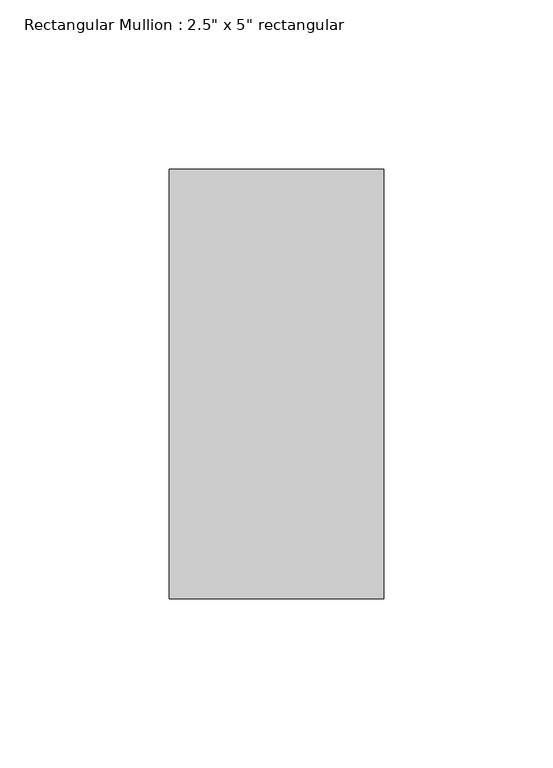
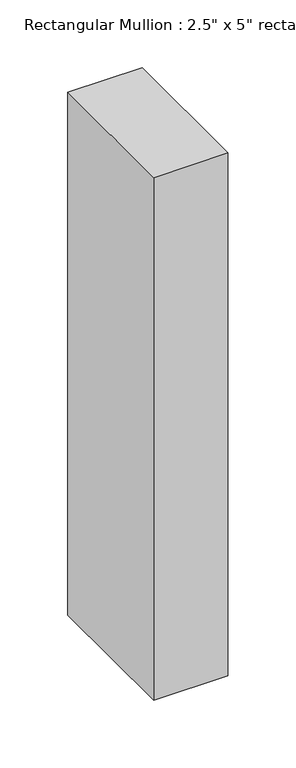
"""IFC4 building model written with IfcOpenShell, lengths in millimetres: member geometry."""

from ifc_helpers import new_model, si_unit, frame, origin, place, context, project, spatial, polyline, outline, extrude, source, transform, mapped, element, save


def member_41831182(model_context):
    return source(origin(), model_context, "Body", "SweptSolid", [
        extrude(outline(polyline([(31.75, 63.5), (31.75, -63.5), (-31.75, -63.5), (-31.75, 63.5), (31.75, 63.5)])), frame((0.0, 0.0, -471.6706469), z_axis=(0.0, 0.0, 1.0), x_axis=(1.0, 0.0, 0.0)), (0.0, 0.0, 1.0), 471.6706469),
    ])


if __name__ == "__main__":
    model = new_model("IFC4")
    model_context = context("Model", 3, world=origin())
    ifc_project = project(units=[si_unit("LENGTHUNIT", "METRE", prefix="MILLI")], contexts=[model_context])
    site = spatial("IfcSite", under=ifc_project)
    building = spatial("IfcBuilding", under=site)
    placement = place(None, origin())
    member_shape = member_41831182(model_context)
    element("IfcMember", 1, ObjectType="Rectangular Mullion : 2.5\" x 5\" rectangular", at=placement, inside=building, context=model_context, shape_type="MappedRepresentation", body=[
        mapped(member_shape, transform((0.0, 0.0, 0.0), x_axis=(1.0, 0.0, 0.0), y_axis=(0.0, 1.0, 0.0), z_axis=(0.0, 0.0, 1.0))),
    ])
    save(model, "model.ifc")
